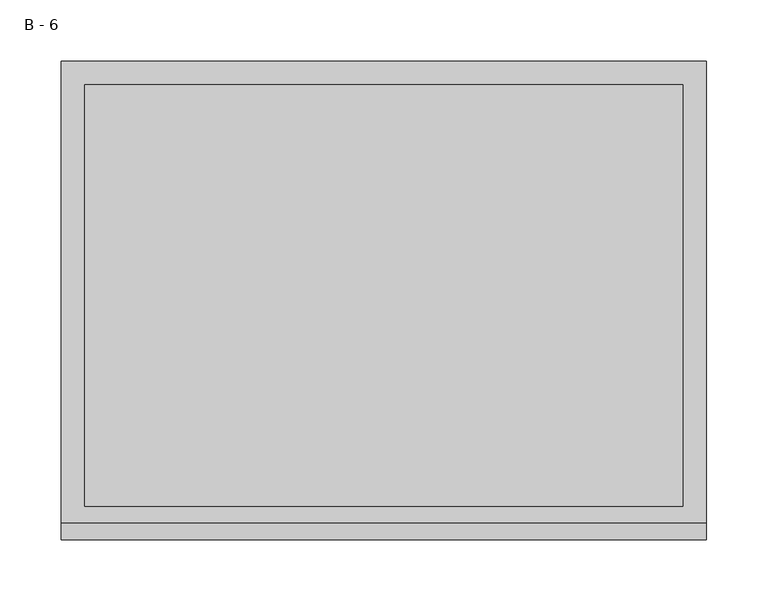
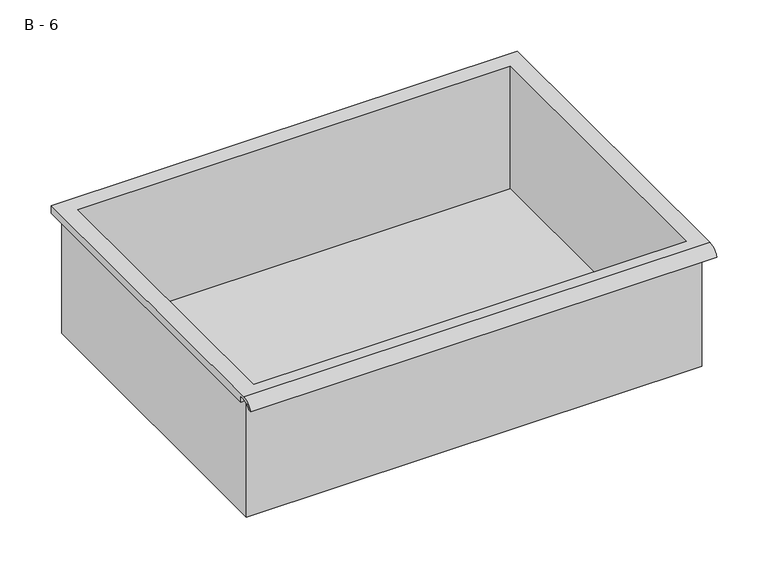
"""IFC4 building model written with IfcOpenShell, lengths in millimetres: furniture geometry, B - 6."""

from ifc_helpers import new_model, si_unit, frame, origin, place, context, project, spatial, polyline, circle_curve, source, transform, mapped, element, save
from ifc_brep_helpers import plane_surface, cylinder_surface, revolved_surface, advanced_brep


def b_6_584b2517(model_context):
    return source(origin(), model_context, "Body", "AdvancedBrep", [
        advanced_brep(
        [(-257.1076517, -176.2125, 414.45942), (257.2423483, -176.2125, 414.45942), (257.2423483, -176.2125, 554.15942), (263.5923483, -176.2125, 554.15942), (263.5923483, -176.2125, 560.4665541), (-263.4576517, -176.2125, 560.4665541), (-263.4576517, -176.2125, 554.15942), (-257.1076517, -176.2125, 554.15942), (257.2423483, 185.7375, 414.45942), (-257.1076517, 185.7375, 414.45942), (-257.1076517, 185.7375, 554.15942), (257.2423483, 185.7375, 554.15942), (263.5923483, -181.6070544, 563.68442), (263.5923483, 195.2625, 563.68442), (-263.4576517, 195.2625, 563.68442), (-263.4576517, -181.6070544, 563.68442), (244.5423483, -168.275, 563.68442), (-244.4076517, -168.275, 563.68442), (-244.4076517, 176.2125, 563.68442), (244.5423483, 176.2125, 563.68442), (263.5923483, -195.2625, 554.15942), (263.5923483, -191.8280601, 554.15942), (263.5923483, -180.4714815, 560.4665541), (263.5923483, 195.2625, 554.15942), (-263.4576517, 195.2625, 554.15942), (-263.4576517, -180.4714815, 560.4665541), (-263.4576517, -191.8280601, 554.15942), (-263.4576517, -195.2625, 554.15942), (-244.4076517, -168.275, 417.4855919), (244.5423483, -168.275, 417.4855919), (244.5423483, 176.2125, 417.4855919), (-244.4076517, 176.2125, 417.4855919)],
        [
            (0, 1),
            (1, 2),
            (2, 3),
            (3, 4),
            (4, 5),
            (5, 6),
            (6, 7),
            (7, 0),
            (8, 9),
            (9, 10),
            (10, 11),
            (11, 8),
            (0, 9),
            (8, 1),
            (11, 2),
            (12, 13),
            (13, 14),
            (14, 15),
            (15, 12),
            (16, 17),
            (17, 18),
            (18, 19),
            (19, 16),
            (7, 10),
            (12, 20, circle_curve(frame((263.5923483, -181.6070544, 549.1334059), z_axis=(1.0, 0.0, 0.0), x_axis=(0.0, 1.0, 0.0)), 14.5510141)),
            (20, 21),
            (21, 22, circle_curve(frame((263.5923483, -181.6070544, 549.1334059), z_axis=(-1.0, 0.0, 0.0), x_axis=(0.0, 1.0, 0.0)), 11.3898979)),
            (22, 4),
            (3, 23),
            (23, 13),
            (14, 24),
            (24, 6),
            (5, 25),
            (25, 26, circle_curve(frame((-263.4576517, -181.6070544, 549.1334059), z_axis=(1.0, 0.0, 0.0), x_axis=(0.0, 1.0, 0.0)), 11.3898979)),
            (26, 27),
            (27, 15, circle_curve(frame((-263.4576517, -181.6070544, 549.1334059), z_axis=(-1.0, 0.0, 0.0), x_axis=(0.0, 1.0, 0.0)), 14.5510141)),
            (27, 20),
            (26, 21),
            (25, 22),
            (24, 23),
            (28, 29),
            (29, 30),
            (30, 31),
            (31, 28),
            (28, 17),
            (16, 29),
            (19, 30),
            (18, 31),
        ],
        [
            plane_surface(frame((257.2423483, -176.2125, 414.45942), z_axis=(0.0, -1.0, 0.0), x_axis=(1.0, 0.0, 0.0))),
            plane_surface(frame((257.2423483, 185.7375, 414.45942), z_axis=(0.0, 1.0, 0.0), x_axis=(-1.0, 0.0, 0.0))),
            plane_surface(frame((-257.1076517, -176.2125, 414.45942), z_axis=(0.0, 0.0, -1.0), x_axis=(0.0, 1.0, 0.0))),
            plane_surface(frame((257.2423483, -176.2125, 414.45942), z_axis=(1.0, 0.0, 0.0), x_axis=(0.0, 1.0, 0.0))),
            plane_surface(frame((257.2423483, -176.2125, 563.68442), z_axis=(0.0, 0.0, 1.0), x_axis=(0.0, 1.0, 0.0))),
            plane_surface(frame((-257.1076517, -176.2125, 563.68442), z_axis=(-1.0, 0.0, 0.0), x_axis=(0.0, 1.0, 0.0))),
            plane_surface(frame((263.5923483, 195.2625, 563.68442), z_axis=(1.0, 0.0, 0.0), x_axis=(0.0, -1.0, 0.0))),
            plane_surface(frame((-263.4576517, 195.2625, 563.68442), z_axis=(-1.0, 0.0, 0.0), x_axis=(0.0, 1.0, 0.0))),
            cylinder_surface(frame((-263.4576517, -181.6070544, 549.1334059), z_axis=(1.0, 0.0, 0.0), x_axis=(0.0, 1.0, 0.0)), 14.5510141),
            plane_surface(frame((263.5923483, -195.2625, 554.15942), z_axis=(0.0, -7.291233251776641e-12, -1.0), x_axis=(-1.0, 0.0, 0.0))),
            revolved_surface(polyline([(-263.4576517, -170.21715650000002, 549.1334059), (263.59234829999997, -170.21715650000002, 549.1334059)]), (-263.4576517, -181.6070544, 549.1334059), (-1.0, 0.0, 0.0)),
            plane_surface(frame((263.5923483, -180.4714815, 560.4665541), z_axis=(0.0, -1.8052101476963113e-11, -1.0), x_axis=(-1.0, 0.0, 0.0))),
            plane_surface(frame((263.5923483, -176.2125, 554.15942), z_axis=(0.0, 0.0, -1.0), x_axis=(-1.0, 0.0, 0.0))),
            plane_surface(frame((263.5923483, 195.2625, 554.15942), z_axis=(0.0, 1.0, 0.0), x_axis=(-1.0, 0.0, 0.0))),
            plane_surface(frame((244.5423483, -168.275, 417.4855919), z_axis=(0.0, 0.0, 1.0), x_axis=(-1.0, 0.0, 0.0))),
            plane_surface(frame((-244.4076517, -168.275, 563.68442), z_axis=(0.0, 1.0, 0.0), x_axis=(0.0, 0.0, -1.0))),
            plane_surface(frame((244.5423483, -168.275, 563.68442), z_axis=(-1.0, 0.0, 0.0), x_axis=(0.0, 0.0, -1.0))),
            plane_surface(frame((244.5423483, 176.2125, 563.68442), z_axis=(0.0, -1.0, 0.0), x_axis=(0.0, 0.0, -1.0))),
            plane_surface(frame((-244.4076517, 176.2125, 563.68442), z_axis=(1.0, 0.0, 0.0), x_axis=(0.0, 0.0, -1.0))),
        ],
        [
            (0, [[1, 2, 3, 4, 5, 6, 7, 8]]),
            (1, [[9, 10, 11, 12]]),
            (2, [[-1, 13, -9, 14]]),
            (3, [[-14, -12, 15, -2]]),
            (4, [[16, 17, 18, 19], [20, 21, 22, 23]]),
            (5, [[-13, -8, 24, -10]]),
            (6, [[-16, 25, 26, 27, 28, -4, 29, 30]]),
            (7, [[31, 32, -6, 33, 34, 35, 36, -18]]),
            (8, [[-25, -19, -36, 37]]),
            (9, [[-26, -37, -35, 38]]),
            (10, [[-27, -38, -34, 39]]),
            (11, [[-28, -39, -33, -5]]),
            (12, [[-29, -3, -15, -11, -24, -7, -32, 40]]),
            (13, [[-30, -40, -31, -17]]),
            (14, [[41, 42, 43, 44]]),
            (15, [[-41, 45, -20, 46]]),
            (16, [[-42, -46, -23, 47]]),
            (17, [[-43, -47, -22, 48]]),
            (18, [[-44, -48, -21, -45]]),
        ],
    ),
    ])


if __name__ == "__main__":
    model = new_model("IFC4")
    model_context = context("Model", 3, world=origin())
    ifc_project = project(units=[si_unit("LENGTHUNIT", "METRE", prefix="MILLI")], contexts=[model_context])
    site = spatial("IfcSite", under=ifc_project)
    building = spatial("IfcBuilding", under=site)
    placement = place(None, origin())
    b_6_shape = b_6_584b2517(model_context)
    element("IfcFurniture", 1, ObjectType="B - 6", at=placement, inside=building, context=model_context, shape_type="MappedRepresentation", body=[
        mapped(b_6_shape, transform((0.0, 0.0, 0.0), x_axis=(1.0, 0.0, 0.0), y_axis=(0.0, 1.0, 0.0), z_axis=(0.0, 0.0, 1.0))),
    ])
    save(model, "model.ifc")
